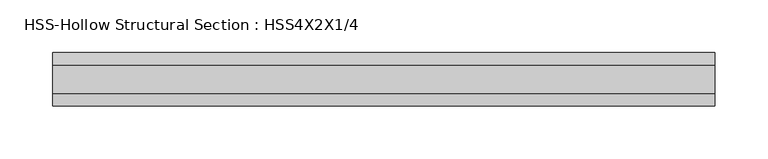
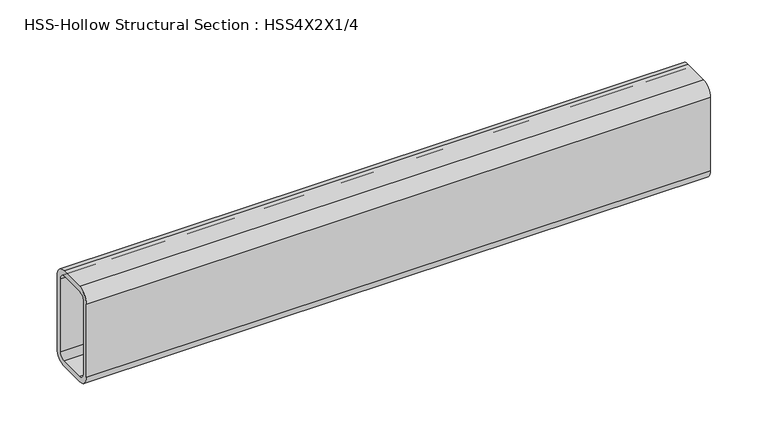
"""IFC4 building model written with IfcOpenShell, lengths in millimetres: beam geometry, HSS-Hollow Structural Section : HSS4X2X1/4."""

from ifc_helpers import new_model, si_unit, point, frame, frame_2d, origin, place, context, project, spatial, polyline, circle_curve, trimmed, segment, composite_curve, outline, extrude, source, transform, mapped, element, save


def hss_hollow_structural_section_hss4x2x1_4_3c46e775(model_context):
    return source(origin(), model_context, "Body", "SweptSolid", [
        extrude(outline(composite_curve([segment(polyline([(25.4, 38.9636), (25.4, -38.9636)]), True, "CONTINUOUS"), segment(trimmed(circle_curve(frame_2d((13.5636, -38.9636)), 11.8364), [point((25.4, -38.9636))], [point((13.5636, -50.8))], False, "CARTESIAN"), True, "CONTINUOUS"), segment(polyline([(13.5636, -50.8), (-13.5636, -50.8)]), True, "CONTINUOUS"), segment(trimmed(circle_curve(frame_2d((-13.5636, -38.9636)), 11.8364), [point((-13.5636, -50.8))], [point((-25.4, -38.9636))], False, "CARTESIAN"), True, "CONTINUOUS"), segment(polyline([(-25.4, -38.9636), (-25.4, 38.9636)]), True, "CONTINUOUS"), segment(trimmed(circle_curve(frame_2d((-13.5636, 38.9636)), 11.8364), [point((-25.4, 38.9636))], [point((-13.5636, 50.8))], False, "CARTESIAN"), True, "CONTINUOUS"), segment(polyline([(-13.5636, 50.8), (13.5636, 50.8)]), True, "CONTINUOUS"), segment(trimmed(circle_curve(frame_2d((13.5636, 38.9636)), 11.8364), [point((13.5636, 50.8))], [point((25.4, 38.9636))], False, "CARTESIAN"), True, "CONTINUOUS")], self_intersect=False), holes=[composite_curve([segment(trimmed(circle_curve(frame_2d((-13.5636, 38.9636)), 5.9182), [point((-13.5636, 44.8818))], [point((-19.4818, 38.9636))], True, "CARTESIAN"), True, "CONTINUOUS"), segment(polyline([(-19.4818, 38.9636), (-19.4818, -38.9636)]), True, "CONTINUOUS"), segment(trimmed(circle_curve(frame_2d((-13.5636, -38.9636)), 5.9182), [point((-19.4818, -38.9636))], [point((-13.5636, -44.8818))], True, "CARTESIAN"), True, "CONTINUOUS"), segment(polyline([(-13.5636, -44.8818), (13.5636, -44.8818)]), True, "CONTINUOUS"), segment(trimmed(circle_curve(frame_2d((13.5636, -38.9636)), 5.9182), [point((13.5636, -44.8818))], [point((19.4818, -38.9636))], True, "CARTESIAN"), True, "CONTINUOUS"), segment(polyline([(19.4818, -38.9636), (19.4818, 38.9636)]), True, "CONTINUOUS"), segment(trimmed(circle_curve(frame_2d((13.5636, 38.9636)), 5.9182), [point((19.4818, 38.9636))], [point((13.5636, 44.8818))], True, "CARTESIAN"), True, "CONTINUOUS"), segment(polyline([(13.5636, 44.8818), (-13.5636, 44.8818)]), True, "CONTINUOUS")], self_intersect=False)]), frame((-314.0989617, 0.0, 0.0), z_axis=(1.0, 0.0, 0.0), x_axis=(0.0, 1.0, 0.0)), (0.0, 0.0, 1.0), 628.4239617),
    ])


if __name__ == "__main__":
    model = new_model("IFC4")
    model_context = context("Model", 3, world=origin())
    ifc_project = project(units=[si_unit("LENGTHUNIT", "METRE", prefix="MILLI")], contexts=[model_context])
    site = spatial("IfcSite", under=ifc_project)
    building = spatial("IfcBuilding", under=site)
    placement = place(None, origin())
    hss_hollow_structural_section_hss4x2x1_4_shape = hss_hollow_structural_section_hss4x2x1_4_3c46e775(model_context)
    element("IfcBeam", 1, ObjectType="HSS-Hollow Structural Section : HSS4X2X1/4", at=placement, inside=building, context=model_context, shape_type="MappedRepresentation", body=[
        mapped(hss_hollow_structural_section_hss4x2x1_4_shape, transform((0.0, 0.0, 0.0), x_axis=(1.0, 0.0, 0.0), y_axis=(0.0, 1.0, 0.0), z_axis=(0.0, 0.0, 1.0))),
    ])
    save(model, "model.ifc")
